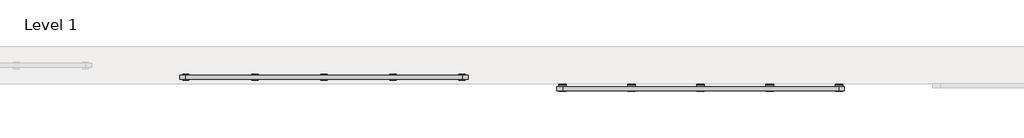
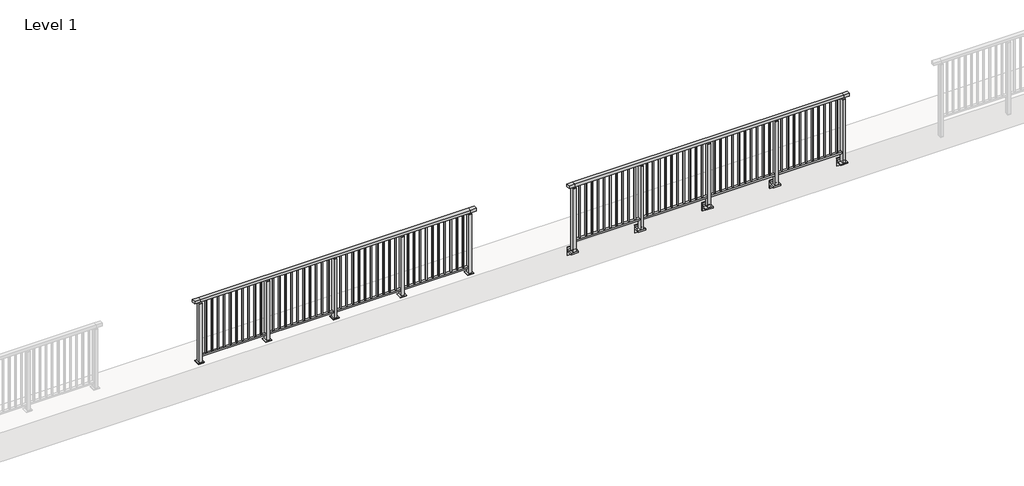
# One storey, part 9 of 37: 2 railings.
"""IFC4 building model written with IfcOpenShell, lengths in millimetres."""

import ifcopenshell
import ifcopenshell.guid

model = None  # the IFC model being written
_history = None  # IfcOwnerHistory: only IFC2X3 demands one
_inside = {}  # id of a spatial element -> (the spatial element, [elements in it])
_under = {}  # id of a project, library or spatial element -> (it, [spatial elements below it])
_declared = {}  # id of a project -> (the project, [libraries it declares])
_typed = {}  # id of a type object -> (the type object, [elements of that type])
_made_of = {}  # id of a material, layer set ... -> (it, [elements and type objects made of it])


def new_model(schema):
    """Start an empty IFC model of exactly this schema.

    Asked for "IFC4X3", IfcOpenShell would pick the latest addendum, in which some entities
    have other attributes; the version numbers below select the first issue.
    IFC2X3 requires an IfcOwnerHistory on every rooted entity: one is made here for all.
    """
    global model, _history
    if schema == "IFC4X3":
        model = ifcopenshell.file(schema_version=(4, 3, 0, 0))
    else:
        model = ifcopenshell.file(schema=schema)
    _inside.clear()
    _under.clear()
    _declared.clear()
    _typed.clear()
    _made_of.clear()
    _history = None
    if model.schema == "IFC2X3":
        org = make("IfcOrganization", Name="unknown")
        user = make(
            "IfcPersonAndOrganization",
            ThePerson=make("IfcPerson", FamilyName="unknown"),
            TheOrganization=org,
        )
        app = make(
            "IfcApplication",
            ApplicationDeveloper=org,
            Version="unknown",
            ApplicationFullName="unknown",
            ApplicationIdentifier="unknown",
        )
        _history = make(
            "IfcOwnerHistory",
            OwningUser=user,
            OwningApplication=app,
            ChangeAction="ADDED",
            CreationDate=0,
        )
    return model


def make(cls, **values):
    """One entity of the class cls with the attributes given. An attribute that is None is left unset."""
    return model.create_entity(
        cls, **{name: value for name, value in values.items() if value is not None}
    )


def rooted(cls, **values):
    """An entity with a GlobalId (a new one), such as an element, a storey or a relation."""
    return make(cls, GlobalId=ifcopenshell.guid.new(), OwnerHistory=_history, **values)


def si_unit(unit_type, name, prefix=None):
    """IfcSIUnit, for example si_unit("LENGTHUNIT", "METRE", prefix="MILLI")."""
    return make("IfcSIUnit", UnitType=unit_type, Prefix=prefix, Name=name)


def assignment(units):
    """IfcUnitAssignment: the units of a project."""
    return None if units is None else make("IfcUnitAssignment", Units=units)


def point(xyz):
    """IfcCartesianPoint."""
    return None if xyz is None else make("IfcCartesianPoint", Coordinates=xyz)


def direction(xyz):
    """IfcDirection."""
    return None if xyz is None else make("IfcDirection", DirectionRatios=xyz)


def frame(location, z_axis=None, x_axis=None):
    """IfcAxis2Placement3D, a coordinate frame: its origin and axes. An axis left out is left unset."""
    return make(
        "IfcAxis2Placement3D",
        Location=point(location),
        Axis=direction(z_axis),
        RefDirection=direction(x_axis),
    )


def frame_2d(location, x_axis=None):
    """IfcAxis2Placement2D, a coordinate frame in the plane: its origin and x axis."""
    return make(
        "IfcAxis2Placement2D", Location=point(location), RefDirection=direction(x_axis)
    )


def origin():
    """The frame at (0, 0, 0) with its axes left unset."""
    return frame((0.0, 0.0, 0.0))


def origin_with_axes():
    """The frame at (0, 0, 0) with the z axis (0, 0, 1) and the x axis (1, 0, 0) written out."""
    return frame((0.0, 0.0, 0.0), z_axis=(0.0, 0.0, 1.0), x_axis=(1.0, 0.0, 0.0))


def place(relative_to, where):
    """IfcLocalPlacement: puts the frame where relative to a parent placement (None: the world)."""
    return make(
        "IfcLocalPlacement", PlacementRelTo=relative_to, RelativePlacement=where
    )


def context(
    kind, dimensions, precision=None, world=None, true_north=None, identifier=None
):
    """IfcGeometricRepresentationContext, for example the 3D "Model" context."""
    return make(
        "IfcGeometricRepresentationContext",
        ContextIdentifier=identifier,
        ContextType=kind,
        CoordinateSpaceDimension=dimensions,
        Precision=precision,
        WorldCoordinateSystem=world,
        TrueNorth=true_north,
    )


def project(units=None, contexts=None):
    """IfcProject with its units and contexts."""
    return rooted(
        "IfcProject",
        Name="project",
        RepresentationContexts=contexts,
        UnitsInContext=assignment(units),
    )


def spatial(cls, under=None, at=None, **own):
    """A site, building, storey or space (cls), placed at a placement, below another one or the project."""
    s = rooted(cls, ObjectPlacement=at, **own)
    if under is not None:
        _under.setdefault(under.id(), (under, []))[1].append(s)
    return s


def polyline(points):
    """IfcPolyline through the points."""
    return make("IfcPolyline", Points=[point(p) for p in points])


def circle_curve(where, radius):
    """IfcCircle in the frame where."""
    return make("IfcCircle", Position=where, Radius=radius)


def trimmed(basis, trim1, trim2, sense, master):
    """IfcTrimmedCurve: the piece of a basis curve between two trims."""
    return make(
        "IfcTrimmedCurve",
        BasisCurve=basis,
        Trim1=trim1,
        Trim2=trim2,
        SenseAgreement=sense,
        MasterRepresentation=master,
    )


def segment(curve, same_sense, transition):
    """IfcCompositeCurveSegment."""
    return make(
        "IfcCompositeCurveSegment",
        Transition=transition,
        SameSense=same_sense,
        ParentCurve=curve,
    )


def composite_curve(segments, self_intersect=None):
    """IfcCompositeCurve: segments joined end to end."""
    return make("IfcCompositeCurve", Segments=segments, SelfIntersect=self_intersect)


def outline(outer, holes=None, kind="AREA"):
    """IfcArbitraryClosedProfileDef: a profile drawn as a closed curve; with holes, ...WithVoids."""
    if holes is None:
        return make("IfcArbitraryClosedProfileDef", ProfileType=kind, OuterCurve=outer)
    return make(
        "IfcArbitraryProfileDefWithVoids",
        ProfileType=kind,
        OuterCurve=outer,
        InnerCurves=holes,
    )


def extrude(swept, where, along, depth):
    """IfcExtrudedAreaSolid: the profile swept, set in the frame where, extruded along a direction by depth."""
    return make(
        "IfcExtrudedAreaSolid",
        SweptArea=swept,
        Position=where,
        ExtrudedDirection=direction(along),
        Depth=depth,
    )


def faces_of(points, faces, orient=None, outer=None):
    """IfcFace entities. A face is a list of loops; a loop is a list of indices into points, from 0.

    orient and outer hold one flag for each loop. By default every Orientation is true, the
    first loop of a face is its IfcFaceOuterBound and the others are IfcFaceBound.
    """
    made = []
    for i, loops in enumerate(faces):
        bounds = []
        for j, loop in enumerate(loops):
            is_outer = j == 0 if outer is None else outer[i][j]
            bounds.append(
                make(
                    "IfcFaceOuterBound" if is_outer else "IfcFaceBound",
                    Bound=make("IfcPolyLoop", Polygon=[points[k] for k in loop]),
                    Orientation=True if orient is None else orient[i][j],
                )
            )
        made.append(make("IfcFace", Bounds=bounds))
    return made


def faceted_brep(points, faces, orient=None, outer=None, voids=None):
    """IfcFacetedBrep: a solid bounded by flat faces; with voids (closed shells), ...WithVoids."""
    shared = [point(p) for p in points]
    hull = make("IfcClosedShell", CfsFaces=faces_of(shared, faces, orient, outer))
    if voids is None:
        return make("IfcFacetedBrep", Outer=hull)
    return make(
        "IfcFacetedBrepWithVoids",
        Outer=hull,
        Voids=[
            make(cls, CfsFaces=faces_of(shared, fs, o, b)) for cls, fs, o, b in voids
        ],
    )


def shape(context_of_items, identifier, shape_type, items):
    """IfcShapeRepresentation: the items that make up one representation, for example the "Body"."""
    return make(
        "IfcShapeRepresentation",
        ContextOfItems=context_of_items,
        RepresentationIdentifier=identifier,
        RepresentationType=shape_type,
        Items=items,
    )


def made_of(thing, what):
    """Note that an element or type object is made of a material, layer set ...; save() writes the relation."""
    if what is not None:
        _made_of.setdefault(what.id(), (what, []))[1].append(thing)
    return thing


def element(
    cls,
    number,
    at=None,
    inside=None,
    cuts=None,
    type_object=None,
    material=None,
    context=None,
    identifier="Body",
    shape_type=None,
    held_by="IfcProductDefinitionShape",
    body=None,
    shapes=None,
    **own,
):
    """One element of the class cls, such as IfcWall. Its Tag is "e" and its number.

    at: its placement. inside: the storey or other place that contains it. cuts: it is an
    opening in that element (IfcRelVoidsElement). A single representation is given by context,
    identifier, shape_type and body (its items); several are given by shapes. held_by: the class
    of the entity that holds the representations. save() writes the other relations.
    """
    e = rooted(cls, Tag="e%d" % number, ObjectPlacement=at, **own)
    if body is not None:
        shapes = [shape(context, identifier, shape_type, body)]
    if shapes is not None:
        e.Representation = make(held_by, Representations=shapes)
    if inside is not None:
        _inside.setdefault(inside.id(), (inside, []))[1].append(e)
    if cuts is not None:
        rooted(
            "IfcRelVoidsElement", RelatingBuildingElement=cuts, RelatedOpeningElement=e
        )
    if type_object is not None:
        _typed.setdefault(type_object.id(), (type_object, []))[1].append(e)
    return made_of(e, material)


def aggregate(whole, parts):
    """IfcRelAggregates: a whole, such as a stair, and the parts it consists of."""
    return rooted("IfcRelAggregates", RelatingObject=whole, RelatedObjects=parts)


def save(model, path):
    """Write the relations noted so far, then the file.

    IfcRelAggregates (storeys below a building ...), IfcRelContainedInSpatialStructure (elements
    in a storey), IfcRelDefinesByType, IfcRelAssociatesMaterial and IfcRelDeclares: one each for
    every whole, place, type object, material and project.
    """
    for whole, parts in _under.values():
        aggregate(whole, parts)
    for where, things in _inside.values():
        rooted(
            "IfcRelContainedInSpatialStructure",
            RelatedElements=things,
            RelatingStructure=where,
        )
    for kind, things in _typed.values():
        rooted("IfcRelDefinesByType", RelatedObjects=things, RelatingType=kind)
    for what, things in _made_of.values():
        rooted("IfcRelAssociatesMaterial", RelatedObjects=things, RelatingMaterial=what)
    for by, libraries in _declared.values():
        rooted("IfcRelDeclares", RelatingContext=by, RelatedDefinitions=libraries)
    model.write(path)


model = new_model("IFC4")

# Units and contexts
model_context = context("Model", 3, world=origin())
ifc_project = project(units=[si_unit("LENGTHUNIT", "METRE", prefix="MILLI")], contexts=[model_context])

# Site, building, storey
site = spatial("IfcSite", under=ifc_project)
building = spatial("IfcBuilding", under=site)
storey = spatial("IfcBuildingStorey", under=building, Name="Level 1", Elevation=0.0)

# Railings
placement = place(None, origin())
element("IfcRailing", 1, at=placement, inside=storey, context=model_context, shape_type="SolidModel", body=[
    faceted_brep([(11910.0, 14847.6846828, 1100.0), (11910.0, 14847.6846828, 1055.0), (11910.0, 14787.6846828, 1055.0), (11910.0, 14787.6846828, 1100.0), (12000.0, 14847.6846828, 1100.0), (12000.0, 14847.6846828, 1055.0), (12000.0, 14787.6846828, 1055.0), (12000.0, 14787.6846828, 1100.0), (16400.0, 14847.6846828, 1100.0), (16400.0, 14847.6846828, 1055.0), (16400.0, 14787.6846828, 1055.0), (16400.0, 14787.6846828, 1100.0), (16490.0, 14847.6846828, 1100.0), (16490.0, 14787.6846828, 1100.0), (16490.0, 14787.6846828, 1055.0), (16490.0, 14847.6846828, 1055.0)], [[[0, 1, 2, 3]], [[1, 0, 4, 5]], [[2, 1, 5, 6]], [[3, 2, 6, 7]], [[0, 3, 7, 4]], [[5, 4, 8, 9]], [[6, 5, 9, 10]], [[7, 6, 10, 11]], [[4, 7, 11, 8]], [[12, 13, 14, 15]], [[9, 8, 12, 15]], [[10, 9, 15, 14]], [[11, 10, 14, 13]], [[8, 11, 13, 12]]]),
    extrude(outline(polyline([(12000.0, 14800.1846828), (12000.0, 14835.1846828), (16400.0, 14835.1846828), (16400.0, 14800.1846828), (12000.0, 14800.1846828)])), frame((0.0, 0.0, 95.0), z_axis=(0.0, 0.0, 1.0), x_axis=(1.0, 0.0, 0.0)), (0.0, 0.0, 1.0), 30.0),
    extrude(outline(polyline([(16308.5, 14809.1846828), (16291.5, 14809.1846828), (16291.5, 14826.1846828), (16308.5, 14826.1846828), (16308.5, 14809.1846828)])), frame((0.0, 0.0, 125.0), z_axis=(0.0, 0.0, 1.0), x_axis=(1.0, 0.0, 0.0)), (0.0, 0.0, 1.0), 930.0),
    extrude(outline(polyline([(16208.5, 14809.1846828), (16191.5, 14809.1846828), (16191.5, 14826.1846828), (16208.5, 14826.1846828), (16208.5, 14809.1846828)])), frame((0.0, 0.0, 125.0), z_axis=(0.0, 0.0, 1.0), x_axis=(1.0, 0.0, 0.0)), (0.0, 0.0, 1.0), 930.0),
    extrude(outline(polyline([(16108.5, 14809.1846828), (16091.5, 14809.1846828), (16091.5, 14826.1846828), (16108.5, 14826.1846828), (16108.5, 14809.1846828)])), frame((0.0, 0.0, 125.0), z_axis=(0.0, 0.0, 1.0), x_axis=(1.0, 0.0, 0.0)), (0.0, 0.0, 1.0), 930.0),
    extrude(outline(polyline([(16008.5, 14809.1846828), (15991.5, 14809.1846828), (15991.5, 14826.1846828), (16008.5, 14826.1846828), (16008.5, 14809.1846828)])), frame((0.0, 0.0, 125.0), z_axis=(0.0, 0.0, 1.0), x_axis=(1.0, 0.0, 0.0)), (0.0, 0.0, 1.0), 930.0),
    extrude(outline(polyline([(15908.5, 14809.1846828), (15891.5, 14809.1846828), (15891.5, 14826.1846828), (15908.5, 14826.1846828), (15908.5, 14809.1846828)])), frame((0.0, 0.0, 125.0), z_axis=(0.0, 0.0, 1.0), x_axis=(1.0, 0.0, 0.0)), (0.0, 0.0, 1.0), 930.0),
    extrude(outline(polyline([(15808.5, 14809.1846828), (15791.5, 14809.1846828), (15791.5, 14826.1846828), (15808.5, 14826.1846828), (15808.5, 14809.1846828)])), frame((0.0, 0.0, 125.0), z_axis=(0.0, 0.0, 1.0), x_axis=(1.0, 0.0, 0.0)), (0.0, 0.0, 1.0), 930.0),
    extrude(outline(polyline([(15708.5, 14809.1846828), (15691.5, 14809.1846828), (15691.5, 14826.1846828), (15708.5, 14826.1846828), (15708.5, 14809.1846828)])), frame((0.0, 0.0, 125.0), z_axis=(0.0, 0.0, 1.0), x_axis=(1.0, 0.0, 0.0)), (0.0, 0.0, 1.0), 930.0),
    extrude(outline(polyline([(15608.5, 14809.1846828), (15591.5, 14809.1846828), (15591.5, 14826.1846828), (15608.5, 14826.1846828), (15608.5, 14809.1846828)])), frame((0.0, 0.0, 125.0), z_axis=(0.0, 0.0, 1.0), x_axis=(1.0, 0.0, 0.0)), (0.0, 0.0, 1.0), 930.0),
    extrude(outline(polyline([(15508.5, 14809.1846828), (15491.5, 14809.1846828), (15491.5, 14826.1846828), (15508.5, 14826.1846828), (15508.5, 14809.1846828)])), frame((0.0, 0.0, 125.0), z_axis=(0.0, 0.0, 1.0), x_axis=(1.0, 0.0, 0.0)), (0.0, 0.0, 1.0), 930.0),
    extrude(outline(polyline([(15408.5, 14809.1846828), (15391.5, 14809.1846828), (15391.5, 14826.1846828), (15408.5, 14826.1846828), (15408.5, 14809.1846828)])), frame((0.0, 0.0, 125.0), z_axis=(0.0, 0.0, 1.0), x_axis=(1.0, 0.0, 0.0)), (0.0, 0.0, 1.0), 930.0),
    extrude(outline(composite_curve([segment(polyline([(14850.1846828, -70.0), (14884.1846828, -63.0), (14884.1846828, -32.5), (14900.1846828, -32.5), (14900.1846828, -167.5), (14884.1846828, -167.5), (14884.1846828, -113.5)]), True, "CONTINUOUS"), segment(trimmed(circle_curve(frame_2d((14864.1846828, -113.5)), 20.0), [point((14884.1846828, -113.5))], [point((14864.1846828, -93.5))], True, "CARTESIAN"), True, "CONTINUOUS"), segment(polyline([(14864.1846828, -93.5), (14780.1846828, -93.5), (14780.1846828, -70.0), (14850.1846828, -70.0)]), True, "CONTINUOUS")], self_intersect=False)), frame((15240.0, 0.0, 0.0), z_axis=(1.0, 0.0, 0.0), x_axis=(0.0, 1.0, 0.0)), (0.0, 0.0, 1.0), 120.0),
    extrude(outline(polyline([(15322.5, 14850.1846828), (15322.5, 14785.1846828), (15277.5, 14785.1846828), (15277.5, 14850.1846828), (15322.5, 14850.1846828)])), frame((0.0, 0.0, -70.0), z_axis=(0.0, 0.0, 1.0), x_axis=(1.0, 0.0, 0.0)), (0.0, 0.0, 1.0), 1097.0),
    extrude(outline(polyline([(15310.0, 14827.6846828), (15310.0, 14807.6846828), (15290.0, 14807.6846828), (15290.0, 14827.6846828), (15310.0, 14827.6846828)])), frame((0.0, 0.0, 1035.0), z_axis=(0.0, 0.0, 1.0), x_axis=(1.0, 0.0, 0.0)), (0.0, 0.0, 1.0), 20.0),
    extrude(outline(polyline([(15322.5, 14850.1846828), (15322.5, 14785.1846828), (15277.5, 14785.1846828), (15277.5, 14850.1846828), (15322.5, 14850.1846828)])), frame((0.0, 0.0, 1027.0), z_axis=(0.0, 0.0, 1.0), x_axis=(1.0, 0.0, 0.0)), (0.0, 0.0, 1.0), 8.0),
    extrude(outline(polyline([(15208.5, 14809.1846828), (15191.5, 14809.1846828), (15191.5, 14826.1846828), (15208.5, 14826.1846828), (15208.5, 14809.1846828)])), frame((0.0, 0.0, 125.0), z_axis=(0.0, 0.0, 1.0), x_axis=(1.0, 0.0, 0.0)), (0.0, 0.0, 1.0), 930.0),
    extrude(outline(polyline([(15108.5, 14809.1846828), (15091.5, 14809.1846828), (15091.5, 14826.1846828), (15108.5, 14826.1846828), (15108.5, 14809.1846828)])), frame((0.0, 0.0, 125.0), z_axis=(0.0, 0.0, 1.0), x_axis=(1.0, 0.0, 0.0)), (0.0, 0.0, 1.0), 930.0),
    extrude(outline(polyline([(15008.5, 14809.1846828), (14991.5, 14809.1846828), (14991.5, 14826.1846828), (15008.5, 14826.1846828), (15008.5, 14809.1846828)])), frame((0.0, 0.0, 125.0), z_axis=(0.0, 0.0, 1.0), x_axis=(1.0, 0.0, 0.0)), (0.0, 0.0, 1.0), 930.0),
    extrude(outline(polyline([(14908.5, 14809.1846828), (14891.5, 14809.1846828), (14891.5, 14826.1846828), (14908.5, 14826.1846828), (14908.5, 14809.1846828)])), frame((0.0, 0.0, 125.0), z_axis=(0.0, 0.0, 1.0), x_axis=(1.0, 0.0, 0.0)), (0.0, 0.0, 1.0), 930.0),
    extrude(outline(polyline([(14808.5, 14809.1846828), (14791.5, 14809.1846828), (14791.5, 14826.1846828), (14808.5, 14826.1846828), (14808.5, 14809.1846828)])), frame((0.0, 0.0, 125.0), z_axis=(0.0, 0.0, 1.0), x_axis=(1.0, 0.0, 0.0)), (0.0, 0.0, 1.0), 930.0),
    extrude(outline(polyline([(14708.5, 14809.1846828), (14691.5, 14809.1846828), (14691.5, 14826.1846828), (14708.5, 14826.1846828), (14708.5, 14809.1846828)])), frame((0.0, 0.0, 125.0), z_axis=(0.0, 0.0, 1.0), x_axis=(1.0, 0.0, 0.0)), (0.0, 0.0, 1.0), 930.0),
    extrude(outline(polyline([(14608.5, 14809.1846828), (14591.5, 14809.1846828), (14591.5, 14826.1846828), (14608.5, 14826.1846828), (14608.5, 14809.1846828)])), frame((0.0, 0.0, 125.0), z_axis=(0.0, 0.0, 1.0), x_axis=(1.0, 0.0, 0.0)), (0.0, 0.0, 1.0), 930.0),
    extrude(outline(polyline([(14508.5, 14809.1846828), (14491.5, 14809.1846828), (14491.5, 14826.1846828), (14508.5, 14826.1846828), (14508.5, 14809.1846828)])), frame((0.0, 0.0, 125.0), z_axis=(0.0, 0.0, 1.0), x_axis=(1.0, 0.0, 0.0)), (0.0, 0.0, 1.0), 930.0),
    extrude(outline(polyline([(14408.5, 14809.1846828), (14391.5, 14809.1846828), (14391.5, 14826.1846828), (14408.5, 14826.1846828), (14408.5, 14809.1846828)])), frame((0.0, 0.0, 125.0), z_axis=(0.0, 0.0, 1.0), x_axis=(1.0, 0.0, 0.0)), (0.0, 0.0, 1.0), 930.0),
    extrude(outline(polyline([(14308.5, 14809.1846828), (14291.5, 14809.1846828), (14291.5, 14826.1846828), (14308.5, 14826.1846828), (14308.5, 14809.1846828)])), frame((0.0, 0.0, 125.0), z_axis=(0.0, 0.0, 1.0), x_axis=(1.0, 0.0, 0.0)), (0.0, 0.0, 1.0), 930.0),
    extrude(outline(composite_curve([segment(polyline([(14850.1846828, -70.0), (14884.1846828, -63.0), (14884.1846828, -32.5), (14900.1846828, -32.5), (14900.1846828, -167.5), (14884.1846828, -167.5), (14884.1846828, -113.5)]), True, "CONTINUOUS"), segment(trimmed(circle_curve(frame_2d((14864.1846828, -113.5)), 20.0), [point((14884.1846828, -113.5))], [point((14864.1846828, -93.5))], True, "CARTESIAN"), True, "CONTINUOUS"), segment(polyline([(14864.1846828, -93.5), (14780.1846828, -93.5), (14780.1846828, -70.0), (14850.1846828, -70.0)]), True, "CONTINUOUS")], self_intersect=False)), frame((14140.0, 0.0, 0.0), z_axis=(1.0, 0.0, 0.0), x_axis=(0.0, 1.0, 0.0)), (0.0, 0.0, 1.0), 120.0),
    extrude(outline(polyline([(14222.5, 14850.1846828), (14222.5, 14785.1846828), (14177.5, 14785.1846828), (14177.5, 14850.1846828), (14222.5, 14850.1846828)])), frame((0.0, 0.0, -70.0), z_axis=(0.0, 0.0, 1.0), x_axis=(1.0, 0.0, 0.0)), (0.0, 0.0, 1.0), 1097.0),
    extrude(outline(polyline([(14210.0, 14827.6846828), (14210.0, 14807.6846828), (14190.0, 14807.6846828), (14190.0, 14827.6846828), (14210.0, 14827.6846828)])), frame((0.0, 0.0, 1035.0), z_axis=(0.0, 0.0, 1.0), x_axis=(1.0, 0.0, 0.0)), (0.0, 0.0, 1.0), 20.0),
    extrude(outline(polyline([(14222.5, 14850.1846828), (14222.5, 14785.1846828), (14177.5, 14785.1846828), (14177.5, 14850.1846828), (14222.5, 14850.1846828)])), frame((0.0, 0.0, 1027.0), z_axis=(0.0, 0.0, 1.0), x_axis=(1.0, 0.0, 0.0)), (0.0, 0.0, 1.0), 8.0),
    extrude(outline(polyline([(14108.5, 14809.1846828), (14091.5, 14809.1846828), (14091.5, 14826.1846828), (14108.5, 14826.1846828), (14108.5, 14809.1846828)])), frame((0.0, 0.0, 125.0), z_axis=(0.0, 0.0, 1.0), x_axis=(1.0, 0.0, 0.0)), (0.0, 0.0, 1.0), 930.0),
    extrude(outline(polyline([(14008.5, 14809.1846828), (13991.5, 14809.1846828), (13991.5, 14826.1846828), (14008.5, 14826.1846828), (14008.5, 14809.1846828)])), frame((0.0, 0.0, 125.0), z_axis=(0.0, 0.0, 1.0), x_axis=(1.0, 0.0, 0.0)), (0.0, 0.0, 1.0), 930.0),
    extrude(outline(polyline([(13908.5, 14809.1846828), (13891.5, 14809.1846828), (13891.5, 14826.1846828), (13908.5, 14826.1846828), (13908.5, 14809.1846828)])), frame((0.0, 0.0, 125.0), z_axis=(0.0, 0.0, 1.0), x_axis=(1.0, 0.0, 0.0)), (0.0, 0.0, 1.0), 930.0),
    extrude(outline(polyline([(13808.5, 14809.1846828), (13791.5, 14809.1846828), (13791.5, 14826.1846828), (13808.5, 14826.1846828), (13808.5, 14809.1846828)])), frame((0.0, 0.0, 125.0), z_axis=(0.0, 0.0, 1.0), x_axis=(1.0, 0.0, 0.0)), (0.0, 0.0, 1.0), 930.0),
    extrude(outline(polyline([(13708.5, 14809.1846828), (13691.5, 14809.1846828), (13691.5, 14826.1846828), (13708.5, 14826.1846828), (13708.5, 14809.1846828)])), frame((0.0, 0.0, 125.0), z_axis=(0.0, 0.0, 1.0), x_axis=(1.0, 0.0, 0.0)), (0.0, 0.0, 1.0), 930.0),
    extrude(outline(polyline([(13608.5, 14809.1846828), (13591.5, 14809.1846828), (13591.5, 14826.1846828), (13608.5, 14826.1846828), (13608.5, 14809.1846828)])), frame((0.0, 0.0, 125.0), z_axis=(0.0, 0.0, 1.0), x_axis=(1.0, 0.0, 0.0)), (0.0, 0.0, 1.0), 930.0),
    extrude(outline(polyline([(13508.5, 14809.1846828), (13491.5, 14809.1846828), (13491.5, 14826.1846828), (13508.5, 14826.1846828), (13508.5, 14809.1846828)])), frame((0.0, 0.0, 125.0), z_axis=(0.0, 0.0, 1.0), x_axis=(1.0, 0.0, 0.0)), (0.0, 0.0, 1.0), 930.0),
    extrude(outline(polyline([(13408.5, 14809.1846828), (13391.5, 14809.1846828), (13391.5, 14826.1846828), (13408.5, 14826.1846828), (13408.5, 14809.1846828)])), frame((0.0, 0.0, 125.0), z_axis=(0.0, 0.0, 1.0), x_axis=(1.0, 0.0, 0.0)), (0.0, 0.0, 1.0), 930.0),
    extrude(outline(polyline([(13308.5, 14809.1846828), (13291.5, 14809.1846828), (13291.5, 14826.1846828), (13308.5, 14826.1846828), (13308.5, 14809.1846828)])), frame((0.0, 0.0, 125.0), z_axis=(0.0, 0.0, 1.0), x_axis=(1.0, 0.0, 0.0)), (0.0, 0.0, 1.0), 930.0),
    extrude(outline(polyline([(13208.5, 14809.1846828), (13191.5, 14809.1846828), (13191.5, 14826.1846828), (13208.5, 14826.1846828), (13208.5, 14809.1846828)])), frame((0.0, 0.0, 125.0), z_axis=(0.0, 0.0, 1.0), x_axis=(1.0, 0.0, 0.0)), (0.0, 0.0, 1.0), 930.0),
    extrude(outline(composite_curve([segment(polyline([(14850.1846828, -70.0), (14884.1846828, -63.0), (14884.1846828, -32.5), (14900.1846828, -32.5), (14900.1846828, -167.5), (14884.1846828, -167.5), (14884.1846828, -113.5)]), True, "CONTINUOUS"), segment(trimmed(circle_curve(frame_2d((14864.1846828, -113.5)), 20.0), [point((14884.1846828, -113.5))], [point((14864.1846828, -93.5))], True, "CARTESIAN"), True, "CONTINUOUS"), segment(polyline([(14864.1846828, -93.5), (14780.1846828, -93.5), (14780.1846828, -70.0), (14850.1846828, -70.0)]), True, "CONTINUOUS")], self_intersect=False)), frame((13040.0, 0.0, 0.0), z_axis=(1.0, 0.0, 0.0), x_axis=(0.0, 1.0, 0.0)), (0.0, 0.0, 1.0), 120.0),
    extrude(outline(polyline([(13122.5, 14850.1846828), (13122.5, 14785.1846828), (13077.5, 14785.1846828), (13077.5, 14850.1846828), (13122.5, 14850.1846828)])), frame((0.0, 0.0, -70.0), z_axis=(0.0, 0.0, 1.0), x_axis=(1.0, 0.0, 0.0)), (0.0, 0.0, 1.0), 1097.0),
    extrude(outline(polyline([(13110.0, 14827.6846828), (13110.0, 14807.6846828), (13090.0, 14807.6846828), (13090.0, 14827.6846828), (13110.0, 14827.6846828)])), frame((0.0, 0.0, 1035.0), z_axis=(0.0, 0.0, 1.0), x_axis=(1.0, 0.0, 0.0)), (0.0, 0.0, 1.0), 20.0),
    extrude(outline(polyline([(13122.5, 14850.1846828), (13122.5, 14785.1846828), (13077.5, 14785.1846828), (13077.5, 14850.1846828), (13122.5, 14850.1846828)])), frame((0.0, 0.0, 1027.0), z_axis=(0.0, 0.0, 1.0), x_axis=(1.0, 0.0, 0.0)), (0.0, 0.0, 1.0), 8.0),
    extrude(outline(polyline([(13008.5, 14809.1846828), (12991.5, 14809.1846828), (12991.5, 14826.1846828), (13008.5, 14826.1846828), (13008.5, 14809.1846828)])), frame((0.0, 0.0, 125.0), z_axis=(0.0, 0.0, 1.0), x_axis=(1.0, 0.0, 0.0)), (0.0, 0.0, 1.0), 930.0),
    extrude(outline(polyline([(12908.5, 14809.1846828), (12891.5, 14809.1846828), (12891.5, 14826.1846828), (12908.5, 14826.1846828), (12908.5, 14809.1846828)])), frame((0.0, 0.0, 125.0), z_axis=(0.0, 0.0, 1.0), x_axis=(1.0, 0.0, 0.0)), (0.0, 0.0, 1.0), 930.0),
    extrude(outline(polyline([(12808.5, 14809.1846828), (12791.5, 14809.1846828), (12791.5, 14826.1846828), (12808.5, 14826.1846828), (12808.5, 14809.1846828)])), frame((0.0, 0.0, 125.0), z_axis=(0.0, 0.0, 1.0), x_axis=(1.0, 0.0, 0.0)), (0.0, 0.0, 1.0), 930.0),
    extrude(outline(polyline([(12708.5, 14809.1846828), (12691.5, 14809.1846828), (12691.5, 14826.1846828), (12708.5, 14826.1846828), (12708.5, 14809.1846828)])), frame((0.0, 0.0, 125.0), z_axis=(0.0, 0.0, 1.0), x_axis=(1.0, 0.0, 0.0)), (0.0, 0.0, 1.0), 930.0),
    extrude(outline(polyline([(12608.5, 14809.1846828), (12591.5, 14809.1846828), (12591.5, 14826.1846828), (12608.5, 14826.1846828), (12608.5, 14809.1846828)])), frame((0.0, 0.0, 125.0), z_axis=(0.0, 0.0, 1.0), x_axis=(1.0, 0.0, 0.0)), (0.0, 0.0, 1.0), 930.0),
    extrude(outline(polyline([(12508.5, 14809.1846828), (12491.5, 14809.1846828), (12491.5, 14826.1846828), (12508.5, 14826.1846828), (12508.5, 14809.1846828)])), frame((0.0, 0.0, 125.0), z_axis=(0.0, 0.0, 1.0), x_axis=(1.0, 0.0, 0.0)), (0.0, 0.0, 1.0), 930.0),
    extrude(outline(polyline([(12408.5, 14809.1846828), (12391.5, 14809.1846828), (12391.5, 14826.1846828), (12408.5, 14826.1846828), (12408.5, 14809.1846828)])), frame((0.0, 0.0, 125.0), z_axis=(0.0, 0.0, 1.0), x_axis=(1.0, 0.0, 0.0)), (0.0, 0.0, 1.0), 930.0),
    extrude(outline(polyline([(12308.5, 14809.1846828), (12291.5, 14809.1846828), (12291.5, 14826.1846828), (12308.5, 14826.1846828), (12308.5, 14809.1846828)])), frame((0.0, 0.0, 125.0), z_axis=(0.0, 0.0, 1.0), x_axis=(1.0, 0.0, 0.0)), (0.0, 0.0, 1.0), 930.0),
    extrude(outline(polyline([(12208.5, 14809.1846828), (12191.5, 14809.1846828), (12191.5, 14826.1846828), (12208.5, 14826.1846828), (12208.5, 14809.1846828)])), frame((0.0, 0.0, 125.0), z_axis=(0.0, 0.0, 1.0), x_axis=(1.0, 0.0, 0.0)), (0.0, 0.0, 1.0), 930.0),
    extrude(outline(polyline([(12108.5, 14809.1846828), (12091.5, 14809.1846828), (12091.5, 14826.1846828), (12108.5, 14826.1846828), (12108.5, 14809.1846828)])), frame((0.0, 0.0, 125.0), z_axis=(0.0, 0.0, 1.0), x_axis=(1.0, 0.0, 0.0)), (0.0, 0.0, 1.0), 930.0),
    extrude(outline(composite_curve([segment(polyline([(14850.1846828, -70.0), (14884.1846828, -63.0), (14884.1846828, -32.5), (14900.1846828, -32.5), (14900.1846828, -167.5), (14884.1846828, -167.5), (14884.1846828, -113.5)]), True, "CONTINUOUS"), segment(trimmed(circle_curve(frame_2d((14864.1846828, -113.5)), 20.0), [point((14884.1846828, -113.5))], [point((14864.1846828, -93.5))], True, "CARTESIAN"), True, "CONTINUOUS"), segment(polyline([(14864.1846828, -93.5), (14780.1846828, -93.5), (14780.1846828, -70.0), (14850.1846828, -70.0)]), True, "CONTINUOUS")], self_intersect=False)), frame((16340.0, 0.0, 0.0), z_axis=(1.0, 0.0, 0.0), x_axis=(0.0, 1.0, 0.0)), (0.0, 0.0, 1.0), 120.0),
    extrude(outline(polyline([(16422.5, 14850.1846828), (16422.5, 14785.1846828), (16377.5, 14785.1846828), (16377.5, 14850.1846828), (16422.5, 14850.1846828)])), frame((0.0, 0.0, -70.0), z_axis=(0.0, 0.0, 1.0), x_axis=(1.0, 0.0, 0.0)), (0.0, 0.0, 1.0), 1097.0),
    extrude(outline(polyline([(16410.0, 14827.6846828), (16410.0, 14807.6846828), (16390.0, 14807.6846828), (16390.0, 14827.6846828), (16410.0, 14827.6846828)])), frame((0.0, 0.0, 1035.0), z_axis=(0.0, 0.0, 1.0), x_axis=(1.0, 0.0, 0.0)), (0.0, 0.0, 1.0), 20.0),
    extrude(outline(polyline([(16422.5, 14850.1846828), (16422.5, 14785.1846828), (16377.5, 14785.1846828), (16377.5, 14850.1846828), (16422.5, 14850.1846828)])), frame((0.0, 0.0, 1027.0), z_axis=(0.0, 0.0, 1.0), x_axis=(1.0, 0.0, 0.0)), (0.0, 0.0, 1.0), 8.0),
    extrude(outline(composite_curve([segment(polyline([(14850.1846828, -70.0), (14884.1846828, -63.0), (14884.1846828, -32.5), (14900.1846828, -32.5), (14900.1846828, -167.5), (14884.1846828, -167.5), (14884.1846828, -113.5)]), True, "CONTINUOUS"), segment(trimmed(circle_curve(frame_2d((14864.1846828, -113.5)), 20.0), [point((14884.1846828, -113.5))], [point((14864.1846828, -93.5))], True, "CARTESIAN"), True, "CONTINUOUS"), segment(polyline([(14864.1846828, -93.5), (14780.1846828, -93.5), (14780.1846828, -70.0), (14850.1846828, -70.0)]), True, "CONTINUOUS")], self_intersect=False)), frame((11940.0, 0.0, 0.0), z_axis=(1.0, 0.0, 0.0), x_axis=(0.0, 1.0, 0.0)), (0.0, 0.0, 1.0), 120.0),
    extrude(outline(polyline([(12022.5, 14850.1846828), (12022.5, 14785.1846828), (11977.5, 14785.1846828), (11977.5, 14850.1846828), (12022.5, 14850.1846828)])), frame((0.0, 0.0, -70.0), z_axis=(0.0, 0.0, 1.0), x_axis=(1.0, 0.0, 0.0)), (0.0, 0.0, 1.0), 1097.0),
    extrude(outline(polyline([(12010.0, 14827.6846828), (12010.0, 14807.6846828), (11990.0, 14807.6846828), (11990.0, 14827.6846828), (12010.0, 14827.6846828)])), frame((0.0, 0.0, 1035.0), z_axis=(0.0, 0.0, 1.0), x_axis=(1.0, 0.0, 0.0)), (0.0, 0.0, 1.0), 20.0),
    extrude(outline(polyline([(12022.5, 14850.1846828), (12022.5, 14785.1846828), (11977.5, 14785.1846828), (11977.5, 14850.1846828), (12022.5, 14850.1846828)])), frame((0.0, 0.0, 1027.0), z_axis=(0.0, 0.0, 1.0), x_axis=(1.0, 0.0, 0.0)), (0.0, 0.0, 1.0), 8.0),
])
element("IfcRailing", 2, at=placement, inside=storey, context=model_context, shape_type="SolidModel", body=[
    faceted_brep([(6000.0, 15030.1846828, 1055.0), (6000.0, 15030.1846828, 1100.0), (10400.0, 15030.1846828, 1100.0), (10400.0, 15030.1846828, 1055.0), (6000.0, 14970.1846828, 1055.0), (10400.0, 14970.1846828, 1055.0), (6000.0, 14970.1846828, 1100.0), (10400.0, 14970.1846828, 1100.0), (5900.0, 15030.1846828, 1100.0), (5900.0, 15030.1846828, 1055.0), (5900.0, 14970.1846828, 1055.0), (5900.0, 14970.1846828, 1100.0), (10500.0, 15030.1846828, 1100.0), (10500.0, 14970.1846828, 1100.0), (10500.0, 14970.1846828, 1055.0), (10500.0, 15030.1846828, 1055.0)], [[[0, 1, 2, 3]], [[4, 0, 3, 5]], [[6, 4, 5, 7]], [[1, 6, 7, 2]], [[8, 9, 10, 11]], [[9, 8, 1, 0]], [[10, 9, 0, 4]], [[11, 10, 4, 6]], [[8, 11, 6, 1]], [[12, 13, 14, 15]], [[3, 2, 12, 15]], [[5, 3, 15, 14]], [[7, 5, 14, 13]], [[2, 7, 13, 12]]]),
    extrude(outline(polyline([(6000.0, 14982.6846828), (6000.0, 15017.6846828), (10400.0, 15017.6846828), (10400.0, 14982.6846828), (6000.0, 14982.6846828)])), frame((0.0, 0.0, 95.0), z_axis=(0.0, 0.0, 1.0), x_axis=(1.0, 0.0, 0.0)), (0.0, 0.0, 1.0), 30.0),
    extrude(outline(polyline([(10308.5, 15008.6846828), (10308.5, 14991.6846828), (10291.5, 14991.6846828), (10291.5, 15008.6846828), (10308.5, 15008.6846828)])), frame((0.0, 0.0, 125.0), z_axis=(0.0, 0.0, 1.0), x_axis=(1.0, 0.0, 0.0)), (0.0, 0.0, 1.0), 930.0),
    extrude(outline(polyline([(10208.5, 15008.6846828), (10208.5, 14991.6846828), (10191.5, 14991.6846828), (10191.5, 15008.6846828), (10208.5, 15008.6846828)])), frame((0.0, 0.0, 125.0), z_axis=(0.0, 0.0, 1.0), x_axis=(1.0, 0.0, 0.0)), (0.0, 0.0, 1.0), 930.0),
    extrude(outline(polyline([(10108.5, 15008.6846828), (10108.5, 14991.6846828), (10091.5, 14991.6846828), (10091.5, 15008.6846828), (10108.5, 15008.6846828)])), frame((0.0, 0.0, 125.0), z_axis=(0.0, 0.0, 1.0), x_axis=(1.0, 0.0, 0.0)), (0.0, 0.0, 1.0), 930.0),
    extrude(outline(polyline([(10008.5, 15008.6846828), (10008.5, 14991.6846828), (9991.5, 14991.6846828), (9991.5, 15008.6846828), (10008.5, 15008.6846828)])), frame((0.0, 0.0, 125.0), z_axis=(0.0, 0.0, 1.0), x_axis=(1.0, 0.0, 0.0)), (0.0, 0.0, 1.0), 930.0),
    extrude(outline(polyline([(9908.5, 15008.6846828), (9908.5, 14991.6846828), (9891.5, 14991.6846828), (9891.5, 15008.6846828), (9908.5, 15008.6846828)])), frame((0.0, 0.0, 125.0), z_axis=(0.0, 0.0, 1.0), x_axis=(1.0, 0.0, 0.0)), (0.0, 0.0, 1.0), 930.0),
    extrude(outline(polyline([(9808.5, 15008.6846828), (9808.5, 14991.6846828), (9791.5, 14991.6846828), (9791.5, 15008.6846828), (9808.5, 15008.6846828)])), frame((0.0, 0.0, 125.0), z_axis=(0.0, 0.0, 1.0), x_axis=(1.0, 0.0, 0.0)), (0.0, 0.0, 1.0), 930.0),
    extrude(outline(polyline([(9708.5, 15008.6846828), (9708.5, 14991.6846828), (9691.5, 14991.6846828), (9691.5, 15008.6846828), (9708.5, 15008.6846828)])), frame((0.0, 0.0, 125.0), z_axis=(0.0, 0.0, 1.0), x_axis=(1.0, 0.0, 0.0)), (0.0, 0.0, 1.0), 930.0),
    extrude(outline(polyline([(9608.5, 15008.6846828), (9608.5, 14991.6846828), (9591.5, 14991.6846828), (9591.5, 15008.6846828), (9608.5, 15008.6846828)])), frame((0.0, 0.0, 125.0), z_axis=(0.0, 0.0, 1.0), x_axis=(1.0, 0.0, 0.0)), (0.0, 0.0, 1.0), 930.0),
    extrude(outline(polyline([(9508.5, 15008.6846828), (9508.5, 14991.6846828), (9491.5, 14991.6846828), (9491.5, 15008.6846828), (9508.5, 15008.6846828)])), frame((0.0, 0.0, 125.0), z_axis=(0.0, 0.0, 1.0), x_axis=(1.0, 0.0, 0.0)), (0.0, 0.0, 1.0), 930.0),
    extrude(outline(polyline([(9408.5, 15008.6846828), (9408.5, 14991.6846828), (9391.5, 14991.6846828), (9391.5, 15008.6846828), (9408.5, 15008.6846828)])), frame((0.0, 0.0, 125.0), z_axis=(0.0, 0.0, 1.0), x_axis=(1.0, 0.0, 0.0)), (0.0, 0.0, 1.0), 930.0),
    extrude(outline(polyline([(9310.0, 14990.1846828), (9290.0, 14990.1846828), (9290.0, 15010.1846828), (9310.0, 15010.1846828), (9310.0, 14990.1846828)])), frame((0.0, 0.0, 1035.0), z_axis=(0.0, 0.0, 1.0), x_axis=(1.0, 0.0, 0.0)), (0.0, 0.0, 1.0), 20.0),
    extrude(outline(polyline([(9322.5, 14967.6846828), (9277.5, 14967.6846828), (9277.5, 15032.6846828), (9322.5, 15032.6846828), (9322.5, 14967.6846828)])), frame((0.0, 0.0, 1027.0), z_axis=(0.0, 0.0, 1.0), x_axis=(1.0, 0.0, 0.0)), (0.0, 0.0, 1.0), 8.0),
    extrude(outline(polyline([(9350.0, 14950.1846828), (9250.0, 14950.1846828), (9250.0, 15050.1846828), (9350.0, 15050.1846828), (9350.0, 14950.1846828)])), origin_with_axes(), (0.0, 0.0, 1.0), 12.0),
    extrude(outline(polyline([(9322.5, 14967.6846828), (9277.5, 14967.6846828), (9277.5, 15032.6846828), (9322.5, 15032.6846828), (9322.5, 14967.6846828)])), frame((0.0, 0.0, 12.0), z_axis=(0.0, 0.0, 1.0), x_axis=(1.0, 0.0, 0.0)), (0.0, 0.0, 1.0), 1015.0),
    extrude(outline(polyline([(9208.5, 15008.6846828), (9208.5, 14991.6846828), (9191.5, 14991.6846828), (9191.5, 15008.6846828), (9208.5, 15008.6846828)])), frame((0.0, 0.0, 125.0), z_axis=(0.0, 0.0, 1.0), x_axis=(1.0, 0.0, 0.0)), (0.0, 0.0, 1.0), 930.0),
    extrude(outline(polyline([(9108.5, 15008.6846828), (9108.5, 14991.6846828), (9091.5, 14991.6846828), (9091.5, 15008.6846828), (9108.5, 15008.6846828)])), frame((0.0, 0.0, 125.0), z_axis=(0.0, 0.0, 1.0), x_axis=(1.0, 0.0, 0.0)), (0.0, 0.0, 1.0), 930.0),
    extrude(outline(polyline([(9008.5, 15008.6846828), (9008.5, 14991.6846828), (8991.5, 14991.6846828), (8991.5, 15008.6846828), (9008.5, 15008.6846828)])), frame((0.0, 0.0, 125.0), z_axis=(0.0, 0.0, 1.0), x_axis=(1.0, 0.0, 0.0)), (0.0, 0.0, 1.0), 930.0),
    extrude(outline(polyline([(8908.5, 15008.6846828), (8908.5, 14991.6846828), (8891.5, 14991.6846828), (8891.5, 15008.6846828), (8908.5, 15008.6846828)])), frame((0.0, 0.0, 125.0), z_axis=(0.0, 0.0, 1.0), x_axis=(1.0, 0.0, 0.0)), (0.0, 0.0, 1.0), 930.0),
    extrude(outline(polyline([(8808.5, 15008.6846828), (8808.5, 14991.6846828), (8791.5, 14991.6846828), (8791.5, 15008.6846828), (8808.5, 15008.6846828)])), frame((0.0, 0.0, 125.0), z_axis=(0.0, 0.0, 1.0), x_axis=(1.0, 0.0, 0.0)), (0.0, 0.0, 1.0), 930.0),
    extrude(outline(polyline([(8708.5, 15008.6846828), (8708.5, 14991.6846828), (8691.5, 14991.6846828), (8691.5, 15008.6846828), (8708.5, 15008.6846828)])), frame((0.0, 0.0, 125.0), z_axis=(0.0, 0.0, 1.0), x_axis=(1.0, 0.0, 0.0)), (0.0, 0.0, 1.0), 930.0),
    extrude(outline(polyline([(8608.5, 15008.6846828), (8608.5, 14991.6846828), (8591.5, 14991.6846828), (8591.5, 15008.6846828), (8608.5, 15008.6846828)])), frame((0.0, 0.0, 125.0), z_axis=(0.0, 0.0, 1.0), x_axis=(1.0, 0.0, 0.0)), (0.0, 0.0, 1.0), 930.0),
    extrude(outline(polyline([(8508.5, 15008.6846828), (8508.5, 14991.6846828), (8491.5, 14991.6846828), (8491.5, 15008.6846828), (8508.5, 15008.6846828)])), frame((0.0, 0.0, 125.0), z_axis=(0.0, 0.0, 1.0), x_axis=(1.0, 0.0, 0.0)), (0.0, 0.0, 1.0), 930.0),
    extrude(outline(polyline([(8408.5, 15008.6846828), (8408.5, 14991.6846828), (8391.5, 14991.6846828), (8391.5, 15008.6846828), (8408.5, 15008.6846828)])), frame((0.0, 0.0, 125.0), z_axis=(0.0, 0.0, 1.0), x_axis=(1.0, 0.0, 0.0)), (0.0, 0.0, 1.0), 930.0),
    extrude(outline(polyline([(8308.5, 15008.6846828), (8308.5, 14991.6846828), (8291.5, 14991.6846828), (8291.5, 15008.6846828), (8308.5, 15008.6846828)])), frame((0.0, 0.0, 125.0), z_axis=(0.0, 0.0, 1.0), x_axis=(1.0, 0.0, 0.0)), (0.0, 0.0, 1.0), 930.0),
    extrude(outline(polyline([(8210.0, 14990.1846828), (8190.0, 14990.1846828), (8190.0, 15010.1846828), (8210.0, 15010.1846828), (8210.0, 14990.1846828)])), frame((0.0, 0.0, 1035.0), z_axis=(0.0, 0.0, 1.0), x_axis=(1.0, 0.0, 0.0)), (0.0, 0.0, 1.0), 20.0),
    extrude(outline(polyline([(8222.5, 14967.6846828), (8177.5, 14967.6846828), (8177.5, 15032.6846828), (8222.5, 15032.6846828), (8222.5, 14967.6846828)])), frame((0.0, 0.0, 1027.0), z_axis=(0.0, 0.0, 1.0), x_axis=(1.0, 0.0, 0.0)), (0.0, 0.0, 1.0), 8.0),
    extrude(outline(polyline([(8250.0, 14950.1846828), (8150.0, 14950.1846828), (8150.0, 15050.1846828), (8250.0, 15050.1846828), (8250.0, 14950.1846828)])), origin_with_axes(), (0.0, 0.0, 1.0), 12.0),
    extrude(outline(polyline([(8222.5, 14967.6846828), (8177.5, 14967.6846828), (8177.5, 15032.6846828), (8222.5, 15032.6846828), (8222.5, 14967.6846828)])), frame((0.0, 0.0, 12.0), z_axis=(0.0, 0.0, 1.0), x_axis=(1.0, 0.0, 0.0)), (0.0, 0.0, 1.0), 1015.0),
    extrude(outline(polyline([(8108.5, 15008.6846828), (8108.5, 14991.6846828), (8091.5, 14991.6846828), (8091.5, 15008.6846828), (8108.5, 15008.6846828)])), frame((0.0, 0.0, 125.0), z_axis=(0.0, 0.0, 1.0), x_axis=(1.0, 0.0, 0.0)), (0.0, 0.0, 1.0), 930.0),
    extrude(outline(polyline([(8008.5, 15008.6846828), (8008.5, 14991.6846828), (7991.5, 14991.6846828), (7991.5, 15008.6846828), (8008.5, 15008.6846828)])), frame((0.0, 0.0, 125.0), z_axis=(0.0, 0.0, 1.0), x_axis=(1.0, 0.0, 0.0)), (0.0, 0.0, 1.0), 930.0),
    extrude(outline(polyline([(7908.5, 15008.6846828), (7908.5, 14991.6846828), (7891.5, 14991.6846828), (7891.5, 15008.6846828), (7908.5, 15008.6846828)])), frame((0.0, 0.0, 125.0), z_axis=(0.0, 0.0, 1.0), x_axis=(1.0, 0.0, 0.0)), (0.0, 0.0, 1.0), 930.0),
    extrude(outline(polyline([(7808.5, 15008.6846828), (7808.5, 14991.6846828), (7791.5, 14991.6846828), (7791.5, 15008.6846828), (7808.5, 15008.6846828)])), frame((0.0, 0.0, 125.0), z_axis=(0.0, 0.0, 1.0), x_axis=(1.0, 0.0, 0.0)), (0.0, 0.0, 1.0), 930.0),
    extrude(outline(polyline([(7708.5, 15008.6846828), (7708.5, 14991.6846828), (7691.5, 14991.6846828), (7691.5, 15008.6846828), (7708.5, 15008.6846828)])), frame((0.0, 0.0, 125.0), z_axis=(0.0, 0.0, 1.0), x_axis=(1.0, 0.0, 0.0)), (0.0, 0.0, 1.0), 930.0),
    extrude(outline(polyline([(7608.5, 15008.6846828), (7608.5, 14991.6846828), (7591.5, 14991.6846828), (7591.5, 15008.6846828), (7608.5, 15008.6846828)])), frame((0.0, 0.0, 125.0), z_axis=(0.0, 0.0, 1.0), x_axis=(1.0, 0.0, 0.0)), (0.0, 0.0, 1.0), 930.0),
    extrude(outline(polyline([(7508.5, 15008.6846828), (7508.5, 14991.6846828), (7491.5, 14991.6846828), (7491.5, 15008.6846828), (7508.5, 15008.6846828)])), frame((0.0, 0.0, 125.0), z_axis=(0.0, 0.0, 1.0), x_axis=(1.0, 0.0, 0.0)), (0.0, 0.0, 1.0), 930.0),
    extrude(outline(polyline([(7408.5, 15008.6846828), (7408.5, 14991.6846828), (7391.5, 14991.6846828), (7391.5, 15008.6846828), (7408.5, 15008.6846828)])), frame((0.0, 0.0, 125.0), z_axis=(0.0, 0.0, 1.0), x_axis=(1.0, 0.0, 0.0)), (0.0, 0.0, 1.0), 930.0),
    extrude(outline(polyline([(7308.5, 15008.6846828), (7308.5, 14991.6846828), (7291.5, 14991.6846828), (7291.5, 15008.6846828), (7308.5, 15008.6846828)])), frame((0.0, 0.0, 125.0), z_axis=(0.0, 0.0, 1.0), x_axis=(1.0, 0.0, 0.0)), (0.0, 0.0, 1.0), 930.0),
    extrude(outline(polyline([(7208.5, 15008.6846828), (7208.5, 14991.6846828), (7191.5, 14991.6846828), (7191.5, 15008.6846828), (7208.5, 15008.6846828)])), frame((0.0, 0.0, 125.0), z_axis=(0.0, 0.0, 1.0), x_axis=(1.0, 0.0, 0.0)), (0.0, 0.0, 1.0), 930.0),
    extrude(outline(polyline([(7110.0, 14990.1846828), (7090.0, 14990.1846828), (7090.0, 15010.1846828), (7110.0, 15010.1846828), (7110.0, 14990.1846828)])), frame((0.0, 0.0, 1035.0), z_axis=(0.0, 0.0, 1.0), x_axis=(1.0, 0.0, 0.0)), (0.0, 0.0, 1.0), 20.0),
    extrude(outline(polyline([(7122.5, 14967.6846828), (7077.5, 14967.6846828), (7077.5, 15032.6846828), (7122.5, 15032.6846828), (7122.5, 14967.6846828)])), frame((0.0, 0.0, 1027.0), z_axis=(0.0, 0.0, 1.0), x_axis=(1.0, 0.0, 0.0)), (0.0, 0.0, 1.0), 8.0),
    extrude(outline(polyline([(7150.0, 14950.1846828), (7050.0, 14950.1846828), (7050.0, 15050.1846828), (7150.0, 15050.1846828), (7150.0, 14950.1846828)])), origin_with_axes(), (0.0, 0.0, 1.0), 12.0),
    extrude(outline(polyline([(7122.5, 14967.6846828), (7077.5, 14967.6846828), (7077.5, 15032.6846828), (7122.5, 15032.6846828), (7122.5, 14967.6846828)])), frame((0.0, 0.0, 12.0), z_axis=(0.0, 0.0, 1.0), x_axis=(1.0, 0.0, 0.0)), (0.0, 0.0, 1.0), 1015.0),
    extrude(outline(polyline([(7008.5, 15008.6846828), (7008.5, 14991.6846828), (6991.5, 14991.6846828), (6991.5, 15008.6846828), (7008.5, 15008.6846828)])), frame((0.0, 0.0, 125.0), z_axis=(0.0, 0.0, 1.0), x_axis=(1.0, 0.0, 0.0)), (0.0, 0.0, 1.0), 930.0),
    extrude(outline(polyline([(6908.5, 15008.6846828), (6908.5, 14991.6846828), (6891.5, 14991.6846828), (6891.5, 15008.6846828), (6908.5, 15008.6846828)])), frame((0.0, 0.0, 125.0), z_axis=(0.0, 0.0, 1.0), x_axis=(1.0, 0.0, 0.0)), (0.0, 0.0, 1.0), 930.0),
    extrude(outline(polyline([(6808.5, 15008.6846828), (6808.5, 14991.6846828), (6791.5, 14991.6846828), (6791.5, 15008.6846828), (6808.5, 15008.6846828)])), frame((0.0, 0.0, 125.0), z_axis=(0.0, 0.0, 1.0), x_axis=(1.0, 0.0, 0.0)), (0.0, 0.0, 1.0), 930.0),
    extrude(outline(polyline([(6708.5, 15008.6846828), (6708.5, 14991.6846828), (6691.5, 14991.6846828), (6691.5, 15008.6846828), (6708.5, 15008.6846828)])), frame((0.0, 0.0, 125.0), z_axis=(0.0, 0.0, 1.0), x_axis=(1.0, 0.0, 0.0)), (0.0, 0.0, 1.0), 930.0),
    extrude(outline(polyline([(6608.5, 15008.6846828), (6608.5, 14991.6846828), (6591.5, 14991.6846828), (6591.5, 15008.6846828), (6608.5, 15008.6846828)])), frame((0.0, 0.0, 125.0), z_axis=(0.0, 0.0, 1.0), x_axis=(1.0, 0.0, 0.0)), (0.0, 0.0, 1.0), 930.0),
    extrude(outline(polyline([(6508.5, 15008.6846828), (6508.5, 14991.6846828), (6491.5, 14991.6846828), (6491.5, 15008.6846828), (6508.5, 15008.6846828)])), frame((0.0, 0.0, 125.0), z_axis=(0.0, 0.0, 1.0), x_axis=(1.0, 0.0, 0.0)), (0.0, 0.0, 1.0), 930.0),
    extrude(outline(polyline([(6408.5, 15008.6846828), (6408.5, 14991.6846828), (6391.5, 14991.6846828), (6391.5, 15008.6846828), (6408.5, 15008.6846828)])), frame((0.0, 0.0, 125.0), z_axis=(0.0, 0.0, 1.0), x_axis=(1.0, 0.0, 0.0)), (0.0, 0.0, 1.0), 930.0),
    extrude(outline(polyline([(6308.5, 15008.6846828), (6308.5, 14991.6846828), (6291.5, 14991.6846828), (6291.5, 15008.6846828), (6308.5, 15008.6846828)])), frame((0.0, 0.0, 125.0), z_axis=(0.0, 0.0, 1.0), x_axis=(1.0, 0.0, 0.0)), (0.0, 0.0, 1.0), 930.0),
    extrude(outline(polyline([(6208.5, 15008.6846828), (6208.5, 14991.6846828), (6191.5, 14991.6846828), (6191.5, 15008.6846828), (6208.5, 15008.6846828)])), frame((0.0, 0.0, 125.0), z_axis=(0.0, 0.0, 1.0), x_axis=(1.0, 0.0, 0.0)), (0.0, 0.0, 1.0), 930.0),
    extrude(outline(polyline([(6108.5, 15008.6846828), (6108.5, 14991.6846828), (6091.5, 14991.6846828), (6091.5, 15008.6846828), (6108.5, 15008.6846828)])), frame((0.0, 0.0, 125.0), z_axis=(0.0, 0.0, 1.0), x_axis=(1.0, 0.0, 0.0)), (0.0, 0.0, 1.0), 930.0),
    extrude(outline(polyline([(10410.0, 14990.1846828), (10390.0, 14990.1846828), (10390.0, 15010.1846828), (10410.0, 15010.1846828), (10410.0, 14990.1846828)])), frame((0.0, 0.0, 1035.0), z_axis=(0.0, 0.0, 1.0), x_axis=(1.0, 0.0, 0.0)), (0.0, 0.0, 1.0), 20.0),
    extrude(outline(polyline([(10422.5, 14967.6846828), (10377.5, 14967.6846828), (10377.5, 15032.6846828), (10422.5, 15032.6846828), (10422.5, 14967.6846828)])), frame((0.0, 0.0, 1027.0), z_axis=(0.0, 0.0, 1.0), x_axis=(1.0, 0.0, 0.0)), (0.0, 0.0, 1.0), 8.0),
    extrude(outline(polyline([(10450.0, 14950.1846828), (10350.0, 14950.1846828), (10350.0, 15050.1846828), (10450.0, 15050.1846828), (10450.0, 14950.1846828)])), origin_with_axes(), (0.0, 0.0, 1.0), 12.0),
    extrude(outline(polyline([(10422.5, 14967.6846828), (10377.5, 14967.6846828), (10377.5, 15032.6846828), (10422.5, 15032.6846828), (10422.5, 14967.6846828)])), frame((0.0, 0.0, 12.0), z_axis=(0.0, 0.0, 1.0), x_axis=(1.0, 0.0, 0.0)), (0.0, 0.0, 1.0), 1015.0),
    extrude(outline(polyline([(6010.0, 14990.1846828), (5990.0, 14990.1846828), (5990.0, 15010.1846828), (6010.0, 15010.1846828), (6010.0, 14990.1846828)])), frame((0.0, 0.0, 1035.0), z_axis=(0.0, 0.0, 1.0), x_axis=(1.0, 0.0, 0.0)), (0.0, 0.0, 1.0), 20.0),
    extrude(outline(polyline([(6022.5, 14967.6846828), (5977.5, 14967.6846828), (5977.5, 15032.6846828), (6022.5, 15032.6846828), (6022.5, 14967.6846828)])), frame((0.0, 0.0, 1027.0), z_axis=(0.0, 0.0, 1.0), x_axis=(1.0, 0.0, 0.0)), (0.0, 0.0, 1.0), 8.0),
    extrude(outline(polyline([(6050.0, 14950.1846828), (5950.0, 14950.1846828), (5950.0, 15050.1846828), (6050.0, 15050.1846828), (6050.0, 14950.1846828)])), origin_with_axes(), (0.0, 0.0, 1.0), 12.0),
    extrude(outline(polyline([(6022.5, 14967.6846828), (5977.5, 14967.6846828), (5977.5, 15032.6846828), (6022.5, 15032.6846828), (6022.5, 14967.6846828)])), frame((0.0, 0.0, 12.0), z_axis=(0.0, 0.0, 1.0), x_axis=(1.0, 0.0, 0.0)), (0.0, 0.0, 1.0), 1015.0),
])

save(model, "model.ifc")
